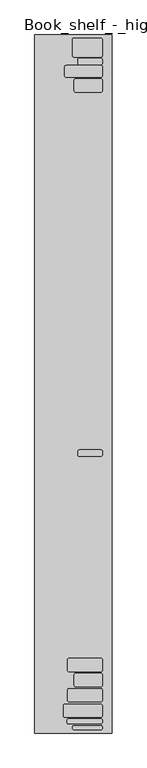
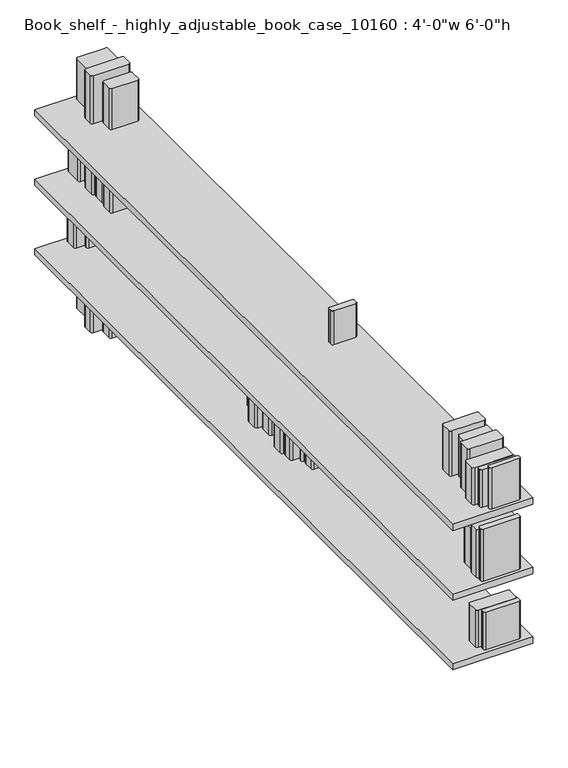
"""IFC4 building model written with IfcOpenShell, lengths in millimetres: furniture geometry."""

import ifcopenshell
import ifcopenshell.guid

model = None  # the IFC model being written
_history = None  # IfcOwnerHistory: only IFC2X3 demands one
_inside = {}  # id of a spatial element -> (the spatial element, [elements in it])
_under = {}  # id of a project, library or spatial element -> (it, [spatial elements below it])
_declared = {}  # id of a project -> (the project, [libraries it declares])
_typed = {}  # id of a type object -> (the type object, [elements of that type])
_made_of = {}  # id of a material, layer set ... -> (it, [elements and type objects made of it])


def new_model(schema):
    """Start an empty IFC model of exactly this schema.

    Asked for "IFC4X3", IfcOpenShell would pick the latest addendum, in which some entities
    have other attributes; the version numbers below select the first issue.
    IFC2X3 requires an IfcOwnerHistory on every rooted entity: one is made here for all.
    """
    global model, _history
    if schema == "IFC4X3":
        model = ifcopenshell.file(schema_version=(4, 3, 0, 0))
    else:
        model = ifcopenshell.file(schema=schema)
    _inside.clear()
    _under.clear()
    _declared.clear()
    _typed.clear()
    _made_of.clear()
    _history = None
    if model.schema == "IFC2X3":
        org = make("IfcOrganization", Name="unknown")
        user = make(
            "IfcPersonAndOrganization",
            ThePerson=make("IfcPerson", FamilyName="unknown"),
            TheOrganization=org,
        )
        app = make(
            "IfcApplication",
            ApplicationDeveloper=org,
            Version="unknown",
            ApplicationFullName="unknown",
            ApplicationIdentifier="unknown",
        )
        _history = make(
            "IfcOwnerHistory",
            OwningUser=user,
            OwningApplication=app,
            ChangeAction="ADDED",
            CreationDate=0,
        )
    return model


def make(cls, **values):
    """One entity of the class cls with the attributes given. An attribute that is None is left unset."""
    return model.create_entity(
        cls, **{name: value for name, value in values.items() if value is not None}
    )


def rooted(cls, **values):
    """An entity with a GlobalId (a new one), such as an element, a storey or a relation."""
    return make(cls, GlobalId=ifcopenshell.guid.new(), OwnerHistory=_history, **values)


def si_unit(unit_type, name, prefix=None):
    """IfcSIUnit, for example si_unit("LENGTHUNIT", "METRE", prefix="MILLI")."""
    return make("IfcSIUnit", UnitType=unit_type, Prefix=prefix, Name=name)


def assignment(units):
    """IfcUnitAssignment: the units of a project."""
    return None if units is None else make("IfcUnitAssignment", Units=units)


def point(xyz):
    """IfcCartesianPoint."""
    return None if xyz is None else make("IfcCartesianPoint", Coordinates=xyz)


def direction(xyz):
    """IfcDirection."""
    return None if xyz is None else make("IfcDirection", DirectionRatios=xyz)


def frame(location, z_axis=None, x_axis=None):
    """IfcAxis2Placement3D, a coordinate frame: its origin and axes. An axis left out is left unset."""
    return make(
        "IfcAxis2Placement3D",
        Location=point(location),
        Axis=direction(z_axis),
        RefDirection=direction(x_axis),
    )


def frame_2d(location, x_axis=None):
    """IfcAxis2Placement2D, a coordinate frame in the plane: its origin and x axis."""
    return make(
        "IfcAxis2Placement2D", Location=point(location), RefDirection=direction(x_axis)
    )


def origin():
    """The frame at (0, 0, 0) with its axes left unset."""
    return frame((0.0, 0.0, 0.0))


def place(relative_to, where):
    """IfcLocalPlacement: puts the frame where relative to a parent placement (None: the world)."""
    return make(
        "IfcLocalPlacement", PlacementRelTo=relative_to, RelativePlacement=where
    )


def context(
    kind, dimensions, precision=None, world=None, true_north=None, identifier=None
):
    """IfcGeometricRepresentationContext, for example the 3D "Model" context."""
    return make(
        "IfcGeometricRepresentationContext",
        ContextIdentifier=identifier,
        ContextType=kind,
        CoordinateSpaceDimension=dimensions,
        Precision=precision,
        WorldCoordinateSystem=world,
        TrueNorth=true_north,
    )


def project(units=None, contexts=None):
    """IfcProject with its units and contexts."""
    return rooted(
        "IfcProject",
        Name="project",
        RepresentationContexts=contexts,
        UnitsInContext=assignment(units),
    )


def spatial(cls, under=None, at=None, **own):
    """A site, building, storey or space (cls), placed at a placement, below another one or the project."""
    s = rooted(cls, ObjectPlacement=at, **own)
    if under is not None:
        _under.setdefault(under.id(), (under, []))[1].append(s)
    return s


def polyline(points):
    """IfcPolyline through the points."""
    return make("IfcPolyline", Points=[point(p) for p in points])


def circle_curve(where, radius):
    """IfcCircle in the frame where."""
    return make("IfcCircle", Position=where, Radius=radius)


def trimmed(basis, trim1, trim2, sense, master):
    """IfcTrimmedCurve: the piece of a basis curve between two trims."""
    return make(
        "IfcTrimmedCurve",
        BasisCurve=basis,
        Trim1=trim1,
        Trim2=trim2,
        SenseAgreement=sense,
        MasterRepresentation=master,
    )


def segment(curve, same_sense, transition):
    """IfcCompositeCurveSegment."""
    return make(
        "IfcCompositeCurveSegment",
        Transition=transition,
        SameSense=same_sense,
        ParentCurve=curve,
    )


def composite_curve(segments, self_intersect=None):
    """IfcCompositeCurve: segments joined end to end."""
    return make("IfcCompositeCurve", Segments=segments, SelfIntersect=self_intersect)


def outline(outer, holes=None, kind="AREA"):
    """IfcArbitraryClosedProfileDef: a profile drawn as a closed curve; with holes, ...WithVoids."""
    if holes is None:
        return make("IfcArbitraryClosedProfileDef", ProfileType=kind, OuterCurve=outer)
    return make(
        "IfcArbitraryProfileDefWithVoids",
        ProfileType=kind,
        OuterCurve=outer,
        InnerCurves=holes,
    )


def extrude(swept, where, along, depth):
    """IfcExtrudedAreaSolid: the profile swept, set in the frame where, extruded along a direction by depth."""
    return make(
        "IfcExtrudedAreaSolid",
        SweptArea=swept,
        Position=where,
        ExtrudedDirection=direction(along),
        Depth=depth,
    )


def shape(context_of_items, identifier, shape_type, items):
    """IfcShapeRepresentation: the items that make up one representation, for example the "Body"."""
    return make(
        "IfcShapeRepresentation",
        ContextOfItems=context_of_items,
        RepresentationIdentifier=identifier,
        RepresentationType=shape_type,
        Items=items,
    )


def source(mapping_origin, context_of_items, identifier, shape_type, items):
    """IfcRepresentationMap: a shape defined once, which mapped items show again and again."""
    return make(
        "IfcRepresentationMap",
        MappingOrigin=mapping_origin,
        MappedRepresentation=shape(context_of_items, identifier, shape_type, items),
    )


def transform(
    local_origin,
    x_axis=None,
    y_axis=None,
    z_axis=None,
    scale=None,
    scale2=None,
    scale3=None,
    uniform=True,
):
    """IfcCartesianTransformationOperator3D, or its non-uniform kind. x_axis, y_axis, z_axis: its Axis1, 2, 3."""
    if uniform:
        return make(
            "IfcCartesianTransformationOperator3D",
            Axis1=direction(x_axis),
            Axis2=direction(y_axis),
            LocalOrigin=point(local_origin),
            Scale=scale,
            Axis3=direction(z_axis),
        )
    return make(
        "IfcCartesianTransformationOperator3DnonUniform",
        Axis1=direction(x_axis),
        Axis2=direction(y_axis),
        LocalOrigin=point(local_origin),
        Scale=scale,
        Axis3=direction(z_axis),
        Scale2=scale2,
        Scale3=scale3,
    )


def mapped(mapping_source, mapping_target):
    """IfcMappedItem: shows the shape of a source again, moved by a transform."""
    return make(
        "IfcMappedItem", MappingSource=mapping_source, MappingTarget=mapping_target
    )


def made_of(thing, what):
    """Note that an element or type object is made of a material, layer set ...; save() writes the relation."""
    if what is not None:
        _made_of.setdefault(what.id(), (what, []))[1].append(thing)
    return thing


def element(
    cls,
    number,
    at=None,
    inside=None,
    cuts=None,
    type_object=None,
    material=None,
    context=None,
    identifier="Body",
    shape_type=None,
    held_by="IfcProductDefinitionShape",
    body=None,
    shapes=None,
    **own,
):
    """One element of the class cls, such as IfcWall. Its Tag is "e" and its number.

    at: its placement. inside: the storey or other place that contains it. cuts: it is an
    opening in that element (IfcRelVoidsElement). A single representation is given by context,
    identifier, shape_type and body (its items); several are given by shapes. held_by: the class
    of the entity that holds the representations. save() writes the other relations.
    """
    e = rooted(cls, Tag="e%d" % number, ObjectPlacement=at, **own)
    if body is not None:
        shapes = [shape(context, identifier, shape_type, body)]
    if shapes is not None:
        e.Representation = make(held_by, Representations=shapes)
    if inside is not None:
        _inside.setdefault(inside.id(), (inside, []))[1].append(e)
    if cuts is not None:
        rooted(
            "IfcRelVoidsElement", RelatingBuildingElement=cuts, RelatedOpeningElement=e
        )
    if type_object is not None:
        _typed.setdefault(type_object.id(), (type_object, []))[1].append(e)
    return made_of(e, material)


def aggregate(whole, parts):
    """IfcRelAggregates: a whole, such as a stair, and the parts it consists of."""
    return rooted("IfcRelAggregates", RelatingObject=whole, RelatedObjects=parts)


def save(model, path):
    """Write the relations noted so far, then the file.

    IfcRelAggregates (storeys below a building ...), IfcRelContainedInSpatialStructure (elements
    in a storey), IfcRelDefinesByType, IfcRelAssociatesMaterial and IfcRelDeclares: one each for
    every whole, place, type object, material and project.
    """
    for whole, parts in _under.values():
        aggregate(whole, parts)
    for where, things in _inside.values():
        rooted(
            "IfcRelContainedInSpatialStructure",
            RelatedElements=things,
            RelatingStructure=where,
        )
    for kind, things in _typed.values():
        rooted("IfcRelDefinesByType", RelatedObjects=things, RelatingType=kind)
    for what, things in _made_of.values():
        rooted("IfcRelAssociatesMaterial", RelatedObjects=things, RelatingMaterial=what)
    for by, libraries in _declared.values():
        rooted("IfcRelDeclares", RelatingContext=by, RelatedDefinitions=libraries)
    model.write(path)


def furniture_de138583(model_context):
    return source(origin(), model_context, "Body", "SweptSolid", [
        extrude(outline(composite_curve([segment(polyline([(-148.9022418, 2554.6275375), (-148.9022418, 2595.1318477)]), True, "CONTINUOUS"), segment(trimmed(circle_curve(frame_2d((-142.5522418, 2595.1318477)), 6.35), [point((-148.9022418, 2595.1318477))], [point((-142.5522418, 2601.4818477))], False, "CARTESIAN"), True, "CONTINUOUS"), segment(polyline([(-142.5522418, 2601.4818477), (-44.45, 2601.4818477)]), True, "CONTINUOUS"), segment(trimmed(circle_curve(frame_2d((-44.45, 2595.1318477)), 6.35), [point((-44.45, 2601.4818477))], [point((-38.1, 2595.1318477))], False, "CARTESIAN"), True, "CONTINUOUS"), segment(polyline([(-38.1, 2595.1318477), (-38.1, 2554.6275375)]), True, "CONTINUOUS"), segment(trimmed(circle_curve(frame_2d((-44.45, 2554.6275375)), 6.35), [point((-38.1, 2554.6275375))], [point((-44.45, 2548.2775375))], False, "CARTESIAN"), True, "CONTINUOUS"), segment(polyline([(-44.45, 2548.2775375), (-142.5522418, 2548.2775375)]), True, "CONTINUOUS"), segment(trimmed(circle_curve(frame_2d((-142.5522418, 2554.6275375)), 6.35), [point((-142.5522418, 2548.2775375))], [point((-148.9022418, 2554.6275375))], False, "CARTESIAN"), True, "CONTINUOUS")], self_intersect=False)), frame((0.0, 0.0, 1524.0), z_axis=(0.0, 0.0, 1.0), x_axis=(1.0, 0.0, 0.0)), (0.0, 0.0, 1.0), 163.8466778),
        extrude(outline(composite_curve([segment(polyline([(-186.6960646, 2613.7563445), (-186.6960646, 2647.8877722)]), True, "CONTINUOUS"), segment(trimmed(circle_curve(frame_2d((-180.3460646, 2647.8877722)), 6.35), [point((-186.6960646, 2647.8877722))], [point((-180.3460646, 2654.2377722))], False, "CARTESIAN"), True, "CONTINUOUS"), segment(polyline([(-180.3460646, 2654.2377722), (-44.45, 2654.2377722)]), True, "CONTINUOUS"), segment(trimmed(circle_curve(frame_2d((-44.45, 2647.8877722)), 6.35), [point((-44.45, 2654.2377722))], [point((-38.1, 2647.8877722))], False, "CARTESIAN"), True, "CONTINUOUS"), segment(polyline([(-38.1, 2647.8877722), (-38.1, 2613.7563445)]), True, "CONTINUOUS"), segment(trimmed(circle_curve(frame_2d((-44.45, 2613.7563445)), 6.35), [point((-38.1, 2613.7563445))], [point((-44.45, 2607.4063445))], False, "CARTESIAN"), True, "CONTINUOUS"), segment(polyline([(-44.45, 2607.4063445), (-180.3460646, 2607.4063445)]), True, "CONTINUOUS"), segment(trimmed(circle_curve(frame_2d((-180.3460646, 2613.7563445)), 6.35), [point((-180.3460646, 2607.4063445))], [point((-186.6960646, 2613.7563445))], False, "CARTESIAN"), True, "CONTINUOUS")], self_intersect=False)), frame((0.0, 0.0, 1524.0), z_axis=(0.0, 0.0, 1.0), x_axis=(1.0, 0.0, 0.0)), (0.0, 0.0, 1.0), 193.2682698),
        extrude(outline(composite_curve([segment(polyline([(-156.1010652, 2693.8512848), (-156.1010652, 2755.55)]), True, "CONTINUOUS"), segment(trimmed(circle_curve(frame_2d((-149.7510652, 2755.55)), 6.35), [point((-156.1010652, 2755.55))], [point((-149.7510652, 2761.9))], False, "CARTESIAN"), True, "CONTINUOUS"), segment(polyline([(-149.7510652, 2761.9), (-44.45, 2761.9)]), True, "CONTINUOUS"), segment(trimmed(circle_curve(frame_2d((-44.45, 2755.55)), 6.35), [point((-44.45, 2761.9))], [point((-38.1, 2755.55))], False, "CARTESIAN"), True, "CONTINUOUS"), segment(polyline([(-38.1, 2755.55), (-38.1, 2693.8512848)]), True, "CONTINUOUS"), segment(trimmed(circle_curve(frame_2d((-44.45, 2693.8512848)), 6.35), [point((-38.1, 2693.8512848))], [point((-44.45, 2687.5012848))], False, "CARTESIAN"), True, "CONTINUOUS"), segment(polyline([(-44.45, 2687.5012848), (-149.7510652, 2687.5012848)]), True, "CONTINUOUS"), segment(trimmed(circle_curve(frame_2d((-149.7510652, 2693.8512848)), 6.35), [point((-149.7510652, 2687.5012848))], [point((-156.1010652, 2693.8512848))], False, "CARTESIAN"), True, "CONTINUOUS")], self_intersect=False)), frame((0.0, 0.0, 1524.0), z_axis=(0.0, 0.0, 1.0), x_axis=(1.0, 0.0, 0.0)), (0.0, 0.0, 1.0), 163.8466778),
        extrude(outline(composite_curve([segment(polyline([(-134.504595, 2663.7627722), (-134.504595, 2676.4627722)]), True, "CONTINUOUS"), segment(trimmed(circle_curve(frame_2d((-128.154595, 2676.4627722)), 6.35), [point((-134.504595, 2676.4627722))], [point((-128.154595, 2682.8127722))], False, "CARTESIAN"), True, "CONTINUOUS"), segment(polyline([(-128.154595, 2682.8127722), (-44.45, 2682.8127722)]), True, "CONTINUOUS"), segment(trimmed(circle_curve(frame_2d((-44.45, 2676.4627722)), 6.35), [point((-44.45, 2682.8127722))], [point((-38.1, 2676.4627722))], False, "CARTESIAN"), True, "CONTINUOUS"), segment(polyline([(-38.1, 2676.4627722), (-38.1, 2663.7627722)]), True, "CONTINUOUS"), segment(trimmed(circle_curve(frame_2d((-44.45, 2663.7627722)), 6.35), [point((-38.1, 2663.7627722))], [point((-44.45, 2657.4127722))], False, "CARTESIAN"), True, "CONTINUOUS"), segment(polyline([(-44.45, 2657.4127722), (-128.154595, 2657.4127722)]), True, "CONTINUOUS"), segment(trimmed(circle_curve(frame_2d((-128.154595, 2663.7627722)), 6.35), [point((-128.154595, 2657.4127722))], [point((-134.504595, 2663.7627722))], False, "CARTESIAN"), True, "CONTINUOUS")], self_intersect=False)), frame((0.0, 0.0, 1524.0), z_axis=(0.0, 0.0, 1.0), x_axis=(1.0, 0.0, 0.0)), (0.0, 0.0, 1.0), 135.8183694),
        extrude(outline(composite_curve([segment(polyline([(-174.9979766, 273.5343096), (-174.9979766, 313.4842776)]), True, "CONTINUOUS"), segment(trimmed(circle_curve(frame_2d((-168.6479766, 313.4842776)), 6.35), [point((-174.9979766, 313.4842776))], [point((-168.6479766, 319.8342776))], False, "CARTESIAN"), True, "CONTINUOUS"), segment(polyline([(-168.6479766, 319.8342776), (-44.45, 319.8342776)]), True, "CONTINUOUS"), segment(trimmed(circle_curve(frame_2d((-44.45, 313.4842776)), 6.35), [point((-44.45, 319.8342776))], [point((-38.1, 313.4842776))], False, "CARTESIAN"), True, "CONTINUOUS"), segment(polyline([(-38.1, 313.4842776), (-38.1, 273.5343096)]), True, "CONTINUOUS"), segment(trimmed(circle_curve(frame_2d((-44.45, 273.5343096)), 6.35), [point((-38.1, 273.5343096))], [point((-44.45, 267.1843096))], False, "CARTESIAN"), True, "CONTINUOUS"), segment(polyline([(-44.45, 267.1843096), (-168.6479766, 267.1843096)]), True, "CONTINUOUS"), segment(trimmed(circle_curve(frame_2d((-168.6479766, 273.5343096)), 6.35), [point((-168.6479766, 267.1843096))], [point((-174.9979766, 273.5343096))], False, "CARTESIAN"), True, "CONTINUOUS")], self_intersect=False)), frame((0.0, 0.0, 1524.0), z_axis=(0.0, 0.0, 1.0), x_axis=(1.0, 0.0, 0.0)), (0.0, 0.0, 1.0), 181.3914823),
        extrude(outline(composite_curve([segment(polyline([(-134.504595, 1121.0843096), (-134.504595, 1133.7843096)]), True, "CONTINUOUS"), segment(trimmed(circle_curve(frame_2d((-128.154595, 1133.7843096)), 6.35), [point((-134.504595, 1133.7843096))], [point((-128.154595, 1140.1343096))], False, "CARTESIAN"), True, "CONTINUOUS"), segment(polyline([(-128.154595, 1140.1343096), (-44.45, 1140.1343096)]), True, "CONTINUOUS"), segment(trimmed(circle_curve(frame_2d((-44.45, 1133.7843096)), 6.35), [point((-44.45, 1140.1343096))], [point((-38.1, 1133.7843096))], False, "CARTESIAN"), True, "CONTINUOUS"), segment(polyline([(-38.1, 1133.7843096), (-38.1, 1121.0843096)]), True, "CONTINUOUS"), segment(trimmed(circle_curve(frame_2d((-44.45, 1121.0843096)), 6.35), [point((-38.1, 1121.0843096))], [point((-44.45, 1114.7343096))], False, "CARTESIAN"), True, "CONTINUOUS"), segment(polyline([(-44.45, 1114.7343096), (-128.154595, 1114.7343096)]), True, "CONTINUOUS"), segment(trimmed(circle_curve(frame_2d((-128.154595, 1121.0843096)), 6.35), [point((-128.154595, 1114.7343096))], [point((-134.504595, 1121.0843096))], False, "CARTESIAN"), True, "CONTINUOUS")], self_intersect=False)), frame((0.0, 0.0, 1524.0), z_axis=(0.0, 0.0, 1.0), x_axis=(1.0, 0.0, 0.0)), (0.0, 0.0, 1.0), 135.8183694),
        extrude(outline(composite_curve([segment(polyline([(-174.9979766, 154.4873472), (-174.9979766, 194.4373151)]), True, "CONTINUOUS"), segment(trimmed(circle_curve(frame_2d((-168.6479766, 194.4373151)), 6.35), [point((-174.9979766, 194.4373151))], [point((-168.6479766, 200.7873151))], False, "CARTESIAN"), True, "CONTINUOUS"), segment(polyline([(-168.6479766, 200.7873151), (-44.45, 200.7873151)]), True, "CONTINUOUS"), segment(trimmed(circle_curve(frame_2d((-44.45, 194.4373151)), 6.35), [point((-44.45, 200.7873151))], [point((-38.1, 194.4373151))], False, "CARTESIAN"), True, "CONTINUOUS"), segment(polyline([(-38.1, 194.4373151), (-38.1, 154.4873472)]), True, "CONTINUOUS"), segment(trimmed(circle_curve(frame_2d((-44.45, 154.4873472)), 6.35), [point((-38.1, 154.4873472))], [point((-44.45, 148.1373472))], False, "CARTESIAN"), True, "CONTINUOUS"), segment(polyline([(-44.45, 148.1373472), (-168.6479766, 148.1373472)]), True, "CONTINUOUS"), segment(trimmed(circle_curve(frame_2d((-168.6479766, 154.4873472)), 6.35), [point((-168.6479766, 148.1373472))], [point((-174.9979766, 154.4873472))], False, "CARTESIAN"), True, "CONTINUOUS")], self_intersect=False)), frame((0.0, 0.0, 1524.0), z_axis=(0.0, 0.0, 1.0), x_axis=(1.0, 0.0, 0.0)), (0.0, 0.0, 1.0), 181.3914823),
        extrude(outline(composite_curve([segment(polyline([(-148.9022418, 213.6855624), (-148.9022418, 254.1898725)]), True, "CONTINUOUS"), segment(trimmed(circle_curve(frame_2d((-142.5522418, 254.1898725)), 6.35), [point((-148.9022418, 254.1898725))], [point((-142.5522418, 260.5398725))], False, "CARTESIAN"), True, "CONTINUOUS"), segment(polyline([(-142.5522418, 260.5398725), (-44.45, 260.5398725)]), True, "CONTINUOUS"), segment(trimmed(circle_curve(frame_2d((-44.45, 254.1898725)), 6.35), [point((-44.45, 260.5398725))], [point((-38.1, 254.1898725))], False, "CARTESIAN"), True, "CONTINUOUS"), segment(polyline([(-38.1, 254.1898725), (-38.1, 213.6855624)]), True, "CONTINUOUS"), segment(trimmed(circle_curve(frame_2d((-44.45, 213.6855624)), 6.35), [point((-38.1, 213.6855624))], [point((-44.45, 207.3355624))], False, "CARTESIAN"), True, "CONTINUOUS"), segment(polyline([(-44.45, 207.3355624), (-142.5522418, 207.3355624)]), True, "CONTINUOUS"), segment(trimmed(circle_curve(frame_2d((-142.5522418, 213.6855624)), 6.35), [point((-142.5522418, 207.3355624))], [point((-148.9022418, 213.6855624))], False, "CARTESIAN"), True, "CONTINUOUS")], self_intersect=False)), frame((0.0, 0.0, 1524.0), z_axis=(0.0, 0.0, 1.0), x_axis=(1.0, 0.0, 0.0)), (0.0, 0.0, 1.0), 163.8466778),
        extrude(outline(composite_curve([segment(polyline([(-155.6511388, 44.45), (-155.6511388, 48.7119243)]), True, "CONTINUOUS"), segment(trimmed(circle_curve(frame_2d((-149.3011388, 48.7119243)), 6.35), [point((-155.6511388, 48.7119243))], [point((-149.3011388, 55.0619243))], False, "CARTESIAN"), True, "CONTINUOUS"), segment(polyline([(-149.3011388, 55.0619243), (-44.45, 55.0619243)]), True, "CONTINUOUS"), segment(trimmed(circle_curve(frame_2d((-44.45, 48.7119243)), 6.35), [point((-44.45, 55.0619243))], [point((-38.1, 48.7119243))], False, "CARTESIAN"), True, "CONTINUOUS"), segment(polyline([(-38.1, 48.7119243), (-38.1, 44.45)]), True, "CONTINUOUS"), segment(trimmed(circle_curve(frame_2d((-44.45, 44.45)), 6.35), [point((-38.1, 44.45))], [point((-44.45, 38.1))], False, "CARTESIAN"), True, "CONTINUOUS"), segment(polyline([(-44.45, 38.1), (-149.3011388, 38.1)]), True, "CONTINUOUS"), segment(trimmed(circle_curve(frame_2d((-149.3011388, 44.45)), 6.35), [point((-149.3011388, 38.1))], [point((-155.6511388, 44.45))], False, "CARTESIAN"), True, "CONTINUOUS")], self_intersect=False)), frame((0.0, 0.0, 1524.0), z_axis=(0.0, 0.0, 1.0), x_axis=(1.0, 0.0, 0.0)), (0.0, 0.0, 1.0), 166.2690481),
        extrude(outline(composite_curve([segment(polyline([(-191.8289872, 93.2744988), (-191.8289872, 133.2244668)]), True, "CONTINUOUS"), segment(trimmed(circle_curve(frame_2d((-185.4789872, 133.2244668)), 6.35), [point((-191.8289872, 133.2244668))], [point((-185.4789872, 139.5744668))], False, "CARTESIAN"), True, "CONTINUOUS"), segment(polyline([(-185.4789872, 139.5744668), (-44.45, 139.5744668)]), True, "CONTINUOUS"), segment(trimmed(circle_curve(frame_2d((-44.45, 133.2244668)), 6.35), [point((-44.45, 139.5744668))], [point((-38.1, 133.2244668))], False, "CARTESIAN"), True, "CONTINUOUS"), segment(polyline([(-38.1, 133.2244668), (-38.1, 93.2744988)]), True, "CONTINUOUS"), segment(trimmed(circle_curve(frame_2d((-44.45, 93.2744988)), 6.35), [point((-38.1, 93.2744988))], [point((-44.45, 86.9244988))], False, "CARTESIAN"), True, "CONTINUOUS"), segment(polyline([(-44.45, 86.9244988), (-185.4789872, 86.9244988)]), True, "CONTINUOUS"), segment(trimmed(circle_curve(frame_2d((-185.4789872, 93.2744988)), 6.35), [point((-185.4789872, 86.9244988))], [point((-191.8289872, 93.2744988))], False, "CARTESIAN"), True, "CONTINUOUS")], self_intersect=False)), frame((0.0, 0.0, 1524.0), z_axis=(0.0, 0.0, 1.0), x_axis=(1.0, 0.0, 0.0)), (0.0, 0.0, 1.0), 148.7566688),
        extrude(outline(composite_curve([segment(polyline([(-177.3825869, 67.874514), (-177.3825869, 75.2798723)]), True, "CONTINUOUS"), segment(trimmed(circle_curve(frame_2d((-171.0325869, 75.2798723)), 6.35), [point((-177.3825869, 75.2798723))], [point((-171.0325869, 81.6298723))], False, "CARTESIAN"), True, "CONTINUOUS"), segment(polyline([(-171.0325869, 81.6298723), (-44.45, 81.6298723)]), True, "CONTINUOUS"), segment(trimmed(circle_curve(frame_2d((-44.45, 75.2798723)), 6.35), [point((-44.45, 81.6298723))], [point((-38.1, 75.2798723))], False, "CARTESIAN"), True, "CONTINUOUS"), segment(polyline([(-38.1, 75.2798723), (-38.1, 67.874514)]), True, "CONTINUOUS"), segment(trimmed(circle_curve(frame_2d((-44.45, 67.874514)), 6.35), [point((-38.1, 67.874514))], [point((-44.45, 61.524514))], False, "CARTESIAN"), True, "CONTINUOUS"), segment(polyline([(-44.45, 61.524514), (-171.0325869, 61.524514)]), True, "CONTINUOUS"), segment(trimmed(circle_curve(frame_2d((-171.0325869, 67.874514)), 6.35), [point((-171.0325869, 61.524514))], [point((-177.3825869, 67.874514))], False, "CARTESIAN"), True, "CONTINUOUS")], self_intersect=False)), frame((0.0, 0.0, 1524.0), z_axis=(0.0, 0.0, 1.0), x_axis=(1.0, 0.0, 0.0)), (0.0, 0.0, 1.0), 151.8618711),
        extrude(outline(polyline([(0.0, 2774.6), (0.0, 25.4), (-304.8, 25.4), (-304.8, 2774.6), (0.0, 2774.6)])), frame((0.0, 0.0, 1498.6), z_axis=(0.0, 0.0, 1.0), x_axis=(1.0, 0.0, 0.0)), (0.0, 0.0, 1.0), 25.4),
        extrude(outline(composite_curve([segment(polyline([(-181.0020996, 119.7389676), (-181.0020996, 160.2432777)]), True, "CONTINUOUS"), segment(trimmed(circle_curve(frame_2d((-174.6520996, 160.2432777)), 6.35), [point((-181.0020996, 160.2432777))], [point((-174.6520996, 166.5932777))], False, "CARTESIAN"), True, "CONTINUOUS"), segment(polyline([(-174.6520996, 166.5932777), (-44.45, 166.5932777)]), True, "CONTINUOUS"), segment(trimmed(circle_curve(frame_2d((-44.45, 160.2432777)), 6.35), [point((-44.45, 166.5932777))], [point((-38.1, 160.2432777))], False, "CARTESIAN"), True, "CONTINUOUS"), segment(polyline([(-38.1, 160.2432777), (-38.1, 119.7389676)]), True, "CONTINUOUS"), segment(trimmed(circle_curve(frame_2d((-44.45, 119.7389676)), 6.35), [point((-38.1, 119.7389676))], [point((-44.45, 113.3889676))], False, "CARTESIAN"), True, "CONTINUOUS"), segment(polyline([(-44.45, 113.3889676), (-174.6520996, 113.3889676)]), True, "CONTINUOUS"), segment(trimmed(circle_curve(frame_2d((-174.6520996, 119.7389676)), 6.35), [point((-174.6520996, 113.3889676))], [point((-181.0020996, 119.7389676))], False, "CARTESIAN"), True, "CONTINUOUS")], self_intersect=False)), frame((0.0, 0.0, 1244.6), z_axis=(0.0, 0.0, 1.0), x_axis=(1.0, 0.0, 0.0)), (0.0, 0.0, 1.0), 163.8466778),
        extrude(outline(composite_curve([segment(polyline([(-187.30107, 2605.1650696), (-187.30107, 2645.1150375)]), True, "CONTINUOUS"), segment(trimmed(circle_curve(frame_2d((-180.95107, 2645.1150375)), 6.35), [point((-187.30107, 2645.1150375))], [point((-180.95107, 2651.4650375))], False, "CARTESIAN"), True, "CONTINUOUS"), segment(polyline([(-180.95107, 2651.4650375), (-44.45, 2651.4650375)]), True, "CONTINUOUS"), segment(trimmed(circle_curve(frame_2d((-44.45, 2645.1150375)), 6.35), [point((-44.45, 2651.4650375))], [point((-38.1, 2645.1150375))], False, "CARTESIAN"), True, "CONTINUOUS"), segment(polyline([(-38.1, 2645.1150375), (-38.1, 2605.1650696)]), True, "CONTINUOUS"), segment(trimmed(circle_curve(frame_2d((-44.45, 2605.1650696)), 6.35), [point((-38.1, 2605.1650696))], [point((-44.45, 2598.8150696))], False, "CARTESIAN"), True, "CONTINUOUS"), segment(polyline([(-44.45, 2598.8150696), (-180.95107, 2598.8150696)]), True, "CONTINUOUS"), segment(trimmed(circle_curve(frame_2d((-180.95107, 2605.1650696)), 6.35), [point((-180.95107, 2598.8150696))], [point((-187.30107, 2605.1650696))], False, "CARTESIAN"), True, "CONTINUOUS")], self_intersect=False)), frame((0.0, 0.0, 1244.6), z_axis=(0.0, 0.0, 1.0), x_axis=(1.0, 0.0, 0.0)), (0.0, 0.0, 1.0), 181.3914823),
        extrude(outline(composite_curve([segment(polyline([(-186.4012171, 44.45), (-186.4012171, 53.326397)]), True, "CONTINUOUS"), segment(trimmed(circle_curve(frame_2d((-180.0512171, 53.326397)), 6.35), [point((-186.4012171, 53.326397))], [point((-180.0512171, 59.676397))], False, "CARTESIAN"), True, "CONTINUOUS"), segment(polyline([(-180.0512171, 59.676397), (-44.45, 59.676397)]), True, "CONTINUOUS"), segment(trimmed(circle_curve(frame_2d((-44.45, 53.326397)), 6.35), [point((-44.45, 59.676397))], [point((-38.1, 53.326397))], False, "CARTESIAN"), True, "CONTINUOUS"), segment(polyline([(-38.1, 53.326397), (-38.1, 44.45)]), True, "CONTINUOUS"), segment(trimmed(circle_curve(frame_2d((-44.45, 44.45)), 6.35), [point((-38.1, 44.45))], [point((-44.45, 38.1))], False, "CARTESIAN"), True, "CONTINUOUS"), segment(polyline([(-44.45, 38.1), (-180.0512171, 38.1)]), True, "CONTINUOUS"), segment(trimmed(circle_curve(frame_2d((-180.0512171, 44.45)), 6.35), [point((-180.0512171, 38.1))], [point((-186.4012171, 44.45))], False, "CARTESIAN"), True, "CONTINUOUS")], self_intersect=False)), frame((0.0, 0.0, 1244.6), z_axis=(0.0, 0.0, 1.0), x_axis=(1.0, 0.0, 0.0)), (0.0, 0.0, 1.0), 209.55),
        extrude(outline(composite_curve([segment(polyline([(-189.1007759, 68.366525), (-189.1007759, 102.4979527)]), True, "CONTINUOUS"), segment(trimmed(circle_curve(frame_2d((-182.7507759, 102.4979527)), 6.35), [point((-189.1007759, 102.4979527))], [point((-182.7507759, 108.8479527))], False, "CARTESIAN"), True, "CONTINUOUS"), segment(polyline([(-182.7507759, 108.8479527), (-44.45, 108.8479527)]), True, "CONTINUOUS"), segment(trimmed(circle_curve(frame_2d((-44.45, 102.4979527)), 6.35), [point((-44.45, 108.8479527))], [point((-38.1, 102.4979527))], False, "CARTESIAN"), True, "CONTINUOUS"), segment(polyline([(-38.1, 102.4979527), (-38.1, 68.366525)]), True, "CONTINUOUS"), segment(trimmed(circle_curve(frame_2d((-44.45, 68.366525)), 6.35), [point((-38.1, 68.366525))], [point((-44.45, 62.016525))], False, "CARTESIAN"), True, "CONTINUOUS"), segment(polyline([(-44.45, 62.016525), (-182.7507759, 62.016525)]), True, "CONTINUOUS"), segment(trimmed(circle_curve(frame_2d((-182.7507759, 68.366525)), 6.35), [point((-182.7507759, 62.016525))], [point((-189.1007759, 68.366525))], False, "CARTESIAN"), True, "CONTINUOUS")], self_intersect=False)), frame((0.0, 0.0, 1244.6), z_axis=(0.0, 0.0, 1.0), x_axis=(1.0, 0.0, 0.0)), (0.0, 0.0, 1.0), 193.2682698),
        extrude(outline(composite_curve([segment(polyline([(-172.0035703, 2661.3075348), (-172.0035703, 2674.0075348)]), True, "CONTINUOUS"), segment(trimmed(circle_curve(frame_2d((-165.6535703, 2674.0075348)), 6.35), [point((-172.0035703, 2674.0075348))], [point((-165.6535703, 2680.3575348))], False, "CARTESIAN"), True, "CONTINUOUS"), segment(polyline([(-165.6535703, 2680.3575348), (-44.45, 2680.3575348)]), True, "CONTINUOUS"), segment(trimmed(circle_curve(frame_2d((-44.45, 2674.0075348)), 6.35), [point((-44.45, 2680.3575348))], [point((-38.1, 2674.0075348))], False, "CARTESIAN"), True, "CONTINUOUS"), segment(polyline([(-38.1, 2674.0075348), (-38.1, 2661.3075348)]), True, "CONTINUOUS"), segment(trimmed(circle_curve(frame_2d((-44.45, 2661.3075348)), 6.35), [point((-38.1, 2661.3075348))], [point((-44.45, 2654.9575348))], False, "CARTESIAN"), True, "CONTINUOUS"), segment(polyline([(-44.45, 2654.9575348), (-165.6535703, 2654.9575348)]), True, "CONTINUOUS"), segment(trimmed(circle_curve(frame_2d((-165.6535703, 2661.3075348)), 6.35), [point((-165.6535703, 2654.9575348))], [point((-172.0035703, 2661.3075348))], False, "CARTESIAN"), True, "CONTINUOUS")], self_intersect=False)), frame((0.0, 0.0, 1244.6), z_axis=(0.0, 0.0, 1.0), x_axis=(1.0, 0.0, 0.0)), (0.0, 0.0, 1.0), 135.8183694),
        extrude(outline(composite_curve([segment(polyline([(-188.4046355, 2693.8512848), (-188.4046355, 2755.55)]), True, "CONTINUOUS"), segment(trimmed(circle_curve(frame_2d((-182.0546355, 2755.55)), 6.35), [point((-188.4046355, 2755.55))], [point((-182.0546355, 2761.9))], False, "CARTESIAN"), True, "CONTINUOUS"), segment(polyline([(-182.0546355, 2761.9), (-44.45, 2761.9)]), True, "CONTINUOUS"), segment(trimmed(circle_curve(frame_2d((-44.45, 2755.55)), 6.35), [point((-44.45, 2761.9))], [point((-38.1, 2755.55))], False, "CARTESIAN"), True, "CONTINUOUS"), segment(polyline([(-38.1, 2755.55), (-38.1, 2693.8512848)]), True, "CONTINUOUS"), segment(trimmed(circle_curve(frame_2d((-44.45, 2693.8512848)), 6.35), [point((-38.1, 2693.8512848))], [point((-44.45, 2687.5012848))], False, "CARTESIAN"), True, "CONTINUOUS"), segment(polyline([(-44.45, 2687.5012848), (-182.0546355, 2687.5012848)]), True, "CONTINUOUS"), segment(trimmed(circle_curve(frame_2d((-182.0546355, 2693.8512848)), 6.35), [point((-182.0546355, 2687.5012848))], [point((-188.4046355, 2693.8512848))], False, "CARTESIAN"), True, "CONTINUOUS")], self_intersect=False)), frame((0.0, 0.0, 1244.6), z_axis=(0.0, 0.0, 1.0), x_axis=(1.0, 0.0, 0.0)), (0.0, 0.0, 1.0), 163.8466778),
        extrude(outline(composite_curve([segment(polyline([(-187.30107, 2484.5150696), (-187.30107, 2524.4650375)]), True, "CONTINUOUS"), segment(trimmed(circle_curve(frame_2d((-180.95107, 2524.4650375)), 6.35), [point((-187.30107, 2524.4650375))], [point((-180.95107, 2530.8150375))], False, "CARTESIAN"), True, "CONTINUOUS"), segment(polyline([(-180.95107, 2530.8150375), (-44.45, 2530.8150375)]), True, "CONTINUOUS"), segment(trimmed(circle_curve(frame_2d((-44.45, 2524.4650375)), 6.35), [point((-44.45, 2530.8150375))], [point((-38.1, 2524.4650375))], False, "CARTESIAN"), True, "CONTINUOUS"), segment(polyline([(-38.1, 2524.4650375), (-38.1, 2484.5150696)]), True, "CONTINUOUS"), segment(trimmed(circle_curve(frame_2d((-44.45, 2484.5150696)), 6.35), [point((-38.1, 2484.5150696))], [point((-44.45, 2478.1650696))], False, "CARTESIAN"), True, "CONTINUOUS"), segment(polyline([(-44.45, 2478.1650696), (-180.95107, 2478.1650696)]), True, "CONTINUOUS"), segment(trimmed(circle_curve(frame_2d((-180.95107, 2484.5150696)), 6.35), [point((-180.95107, 2478.1650696))], [point((-187.30107, 2484.5150696))], False, "CARTESIAN"), True, "CONTINUOUS")], self_intersect=False)), frame((0.0, 0.0, 1244.6), z_axis=(0.0, 0.0, 1.0), x_axis=(1.0, 0.0, 0.0)), (0.0, 0.0, 1.0), 181.3914823),
        extrude(outline(composite_curve([segment(polyline([(-181.0020996, 2545.4125122), (-181.0020996, 2585.9168223)]), True, "CONTINUOUS"), segment(trimmed(circle_curve(frame_2d((-174.6520996, 2585.9168223)), 6.35), [point((-181.0020996, 2585.9168223))], [point((-174.6520996, 2592.2668223))], False, "CARTESIAN"), True, "CONTINUOUS"), segment(polyline([(-174.6520996, 2592.2668223), (-44.45, 2592.2668223)]), True, "CONTINUOUS"), segment(trimmed(circle_curve(frame_2d((-44.45, 2585.9168223)), 6.35), [point((-44.45, 2592.2668223))], [point((-38.1, 2585.9168223))], False, "CARTESIAN"), True, "CONTINUOUS"), segment(polyline([(-38.1, 2585.9168223), (-38.1, 2545.4125122)]), True, "CONTINUOUS"), segment(trimmed(circle_curve(frame_2d((-44.45, 2545.4125122)), 6.35), [point((-38.1, 2545.4125122))], [point((-44.45, 2539.0625122))], False, "CARTESIAN"), True, "CONTINUOUS"), segment(polyline([(-44.45, 2539.0625122), (-174.6520996, 2539.0625122)]), True, "CONTINUOUS"), segment(trimmed(circle_curve(frame_2d((-174.6520996, 2545.4125122)), 6.35), [point((-174.6520996, 2539.0625122))], [point((-181.0020996, 2545.4125122))], False, "CARTESIAN"), True, "CONTINUOUS")], self_intersect=False)), frame((0.0, 0.0, 1244.6), z_axis=(0.0, 0.0, 1.0), x_axis=(1.0, 0.0, 0.0)), (0.0, 0.0, 1.0), 163.8466778),
        extrude(outline(polyline([(0.0, 2774.6), (0.0, 25.4), (-304.8, 25.4), (-304.8, 2774.6), (0.0, 2774.6)])), frame((0.0, 0.0, 1219.2), z_axis=(0.0, 0.0, 1.0), x_axis=(1.0, 0.0, 0.0)), (0.0, 0.0, 1.0), 25.4),
        extrude(outline(composite_curve([segment(polyline([(-149.8020947, 1607.3412422), (-149.8020947, 1642.9947053)]), True, "CONTINUOUS"), segment(trimmed(circle_curve(frame_2d((-143.4520947, 1642.9947053)), 6.35), [point((-149.8020947, 1642.9947053))], [point((-143.4520947, 1649.3447053))], False, "CARTESIAN"), True, "CONTINUOUS"), segment(polyline([(-143.4520947, 1649.3447053), (-44.45, 1649.3447053)]), True, "CONTINUOUS"), segment(trimmed(circle_curve(frame_2d((-44.45, 1642.9947053)), 6.35), [point((-44.45, 1649.3447053))], [point((-38.1, 1642.9947053))], False, "CARTESIAN"), True, "CONTINUOUS"), segment(polyline([(-38.1, 1642.9947053), (-38.1, 1607.3412422)]), True, "CONTINUOUS"), segment(trimmed(circle_curve(frame_2d((-44.45, 1607.3412422)), 6.35), [point((-38.1, 1607.3412422))], [point((-44.45, 1600.9912422))], False, "CARTESIAN"), True, "CONTINUOUS"), segment(polyline([(-44.45, 1600.9912422), (-143.4520947, 1600.9912422)]), True, "CONTINUOUS"), segment(trimmed(circle_curve(frame_2d((-143.4520947, 1607.3412422)), 6.35), [point((-143.4520947, 1600.9912422))], [point((-149.8020947, 1607.3412422))], False, "CARTESIAN"), True, "CONTINUOUS")], self_intersect=False)), frame((0.0, 0.0, 965.2), z_axis=(0.0, 0.0, 1.0), x_axis=(1.0, 0.0, 0.0)), (0.0, 0.0, 1.0), 151.8506516),
        extrude(outline(composite_curve([segment(polyline([(-155.6511388, 1583.4604527), (-155.6511388, 1587.7223771)]), True, "CONTINUOUS"), segment(trimmed(circle_curve(frame_2d((-149.3011388, 1587.7223771)), 6.35), [point((-155.6511388, 1587.7223771))], [point((-149.3011388, 1594.0723771))], False, "CARTESIAN"), True, "CONTINUOUS"), segment(polyline([(-149.3011388, 1594.0723771), (-44.45, 1594.0723771)]), True, "CONTINUOUS"), segment(trimmed(circle_curve(frame_2d((-44.45, 1587.7223771)), 6.35), [point((-44.45, 1594.0723771))], [point((-38.1, 1587.7223771))], False, "CARTESIAN"), True, "CONTINUOUS"), segment(polyline([(-38.1, 1587.7223771), (-38.1, 1583.4604527)]), True, "CONTINUOUS"), segment(trimmed(circle_curve(frame_2d((-44.45, 1583.4604527)), 6.35), [point((-38.1, 1583.4604527))], [point((-44.45, 1577.1104527))], False, "CARTESIAN"), True, "CONTINUOUS"), segment(polyline([(-44.45, 1577.1104527), (-149.3011388, 1577.1104527)]), True, "CONTINUOUS"), segment(trimmed(circle_curve(frame_2d((-149.3011388, 1583.4604527)), 6.35), [point((-149.3011388, 1577.1104527))], [point((-155.6511388, 1583.4604527))], False, "CARTESIAN"), True, "CONTINUOUS")], self_intersect=False)), frame((0.0, 0.0, 965.2), z_axis=(0.0, 0.0, 1.0), x_axis=(1.0, 0.0, 0.0)), (0.0, 0.0, 1.0), 166.2690481),
        extrude(outline(composite_curve([segment(polyline([(-191.8289872, 1523.562532), (-191.8289872, 1563.5125)]), True, "CONTINUOUS"), segment(trimmed(circle_curve(frame_2d((-185.4789872, 1563.5125)), 6.35), [point((-191.8289872, 1563.5125))], [point((-185.4789872, 1569.8625))], False, "CARTESIAN"), True, "CONTINUOUS"), segment(polyline([(-185.4789872, 1569.8625), (-44.45, 1569.8625)]), True, "CONTINUOUS"), segment(trimmed(circle_curve(frame_2d((-44.45, 1563.5125)), 6.35), [point((-44.45, 1569.8625))], [point((-38.1, 1563.5125))], False, "CARTESIAN"), True, "CONTINUOUS"), segment(polyline([(-38.1, 1563.5125), (-38.1, 1523.562532)]), True, "CONTINUOUS"), segment(trimmed(circle_curve(frame_2d((-44.45, 1523.562532)), 6.35), [point((-38.1, 1523.562532))], [point((-44.45, 1517.212532))], False, "CARTESIAN"), True, "CONTINUOUS"), segment(polyline([(-44.45, 1517.212532), (-185.4789872, 1517.212532)]), True, "CONTINUOUS"), segment(trimmed(circle_curve(frame_2d((-185.4789872, 1523.562532)), 6.35), [point((-185.4789872, 1517.212532))], [point((-191.8289872, 1523.562532))], False, "CARTESIAN"), True, "CONTINUOUS")], self_intersect=False)), frame((0.0, 0.0, 964.9310239), z_axis=(0.0, 0.0, 1.0), x_axis=(1.0, 0.0, 0.0)), (0.0, 0.0, 1.0), 177.2506516),
        extrude(outline(composite_curve([segment(polyline([(-149.8020947, 1225.375), (-149.8020947, 1261.0284631)]), True, "CONTINUOUS"), segment(trimmed(circle_curve(frame_2d((-143.4520947, 1261.0284631)), 6.35), [point((-149.8020947, 1261.0284631))], [point((-143.4520947, 1267.3784631))], False, "CARTESIAN"), True, "CONTINUOUS"), segment(polyline([(-143.4520947, 1267.3784631), (-44.45, 1267.3784631)]), True, "CONTINUOUS"), segment(trimmed(circle_curve(frame_2d((-44.45, 1261.0284631)), 6.35), [point((-44.45, 1267.3784631))], [point((-38.1, 1261.0284631))], False, "CARTESIAN"), True, "CONTINUOUS"), segment(polyline([(-38.1, 1261.0284631), (-38.1, 1225.375)]), True, "CONTINUOUS"), segment(trimmed(circle_curve(frame_2d((-44.45, 1225.375)), 6.35), [point((-38.1, 1225.375))], [point((-44.45, 1219.025))], False, "CARTESIAN"), True, "CONTINUOUS"), segment(polyline([(-44.45, 1219.025), (-143.4520947, 1219.025)]), True, "CONTINUOUS"), segment(trimmed(circle_curve(frame_2d((-143.4520947, 1225.375)), 6.35), [point((-143.4520947, 1219.025))], [point((-149.8020947, 1225.375))], False, "CARTESIAN"), True, "CONTINUOUS")], self_intersect=False)), frame((0.0, 0.0, 964.9310239), z_axis=(0.0, 0.0, 1.0), x_axis=(1.0, 0.0, 0.0)), (0.0, 0.0, 1.0), 151.8506516),
        extrude(outline(composite_curve([segment(polyline([(-155.6511388, 1281.8354527), (-155.6511388, 1286.0973771)]), True, "CONTINUOUS"), segment(trimmed(circle_curve(frame_2d((-149.3011388, 1286.0973771)), 6.35), [point((-155.6511388, 1286.0973771))], [point((-149.3011388, 1292.4473771))], False, "CARTESIAN"), True, "CONTINUOUS"), segment(polyline([(-149.3011388, 1292.4473771), (-44.45, 1292.4473771)]), True, "CONTINUOUS"), segment(trimmed(circle_curve(frame_2d((-44.45, 1286.0973771)), 6.35), [point((-44.45, 1292.4473771))], [point((-38.1, 1286.0973771))], False, "CARTESIAN"), True, "CONTINUOUS"), segment(polyline([(-38.1, 1286.0973771), (-38.1, 1281.8354527)]), True, "CONTINUOUS"), segment(trimmed(circle_curve(frame_2d((-44.45, 1281.8354527)), 6.35), [point((-38.1, 1281.8354527))], [point((-44.45, 1275.4854527))], False, "CARTESIAN"), True, "CONTINUOUS"), segment(polyline([(-44.45, 1275.4854527), (-149.3011388, 1275.4854527)]), True, "CONTINUOUS"), segment(trimmed(circle_curve(frame_2d((-149.3011388, 1281.8354527)), 6.35), [point((-149.3011388, 1275.4854527))], [point((-155.6511388, 1281.8354527))], False, "CARTESIAN"), True, "CONTINUOUS")], self_intersect=False)), frame((0.0, 0.0, 965.2), z_axis=(0.0, 0.0, 1.0), x_axis=(1.0, 0.0, 0.0)), (0.0, 0.0, 1.0), 166.2690481),
        extrude(outline(composite_curve([segment(polyline([(-191.8289872, 2715.600032), (-191.8289872, 2755.55)]), True, "CONTINUOUS"), segment(trimmed(circle_curve(frame_2d((-185.4789872, 2755.55)), 6.35), [point((-191.8289872, 2755.55))], [point((-185.4789872, 2761.9))], False, "CARTESIAN"), True, "CONTINUOUS"), segment(polyline([(-185.4789872, 2761.9), (-44.45, 2761.9)]), True, "CONTINUOUS"), segment(trimmed(circle_curve(frame_2d((-44.45, 2755.55)), 6.35), [point((-44.45, 2761.9))], [point((-38.1, 2755.55))], False, "CARTESIAN"), True, "CONTINUOUS"), segment(polyline([(-38.1, 2755.55), (-38.1, 2715.600032)]), True, "CONTINUOUS"), segment(trimmed(circle_curve(frame_2d((-44.45, 2715.600032)), 6.35), [point((-38.1, 2715.600032))], [point((-44.45, 2709.250032))], False, "CARTESIAN"), True, "CONTINUOUS"), segment(polyline([(-44.45, 2709.250032), (-185.4789872, 2709.250032)]), True, "CONTINUOUS"), segment(trimmed(circle_curve(frame_2d((-185.4789872, 2715.600032)), 6.35), [point((-185.4789872, 2709.250032))], [point((-191.8289872, 2715.600032))], False, "CARTESIAN"), True, "CONTINUOUS")], self_intersect=False)), frame((0.0, 0.0, 965.2), z_axis=(0.0, 0.0, 1.0), x_axis=(1.0, 0.0, 0.0)), (0.0, 0.0, 1.0), 148.7566688),
        extrude(outline(composite_curve([segment(polyline([(-155.6511388, 2694.962532), (-155.6511388, 2699.2244564)]), True, "CONTINUOUS"), segment(trimmed(circle_curve(frame_2d((-149.3011388, 2699.2244564)), 6.35), [point((-155.6511388, 2699.2244564))], [point((-149.3011388, 2705.5744564))], False, "CARTESIAN"), True, "CONTINUOUS"), segment(polyline([(-149.3011388, 2705.5744564), (-44.45, 2705.5744564)]), True, "CONTINUOUS"), segment(trimmed(circle_curve(frame_2d((-44.45, 2699.2244564)), 6.35), [point((-44.45, 2705.5744564))], [point((-38.1, 2699.2244564))], False, "CARTESIAN"), True, "CONTINUOUS"), segment(polyline([(-38.1, 2699.2244564), (-38.1, 2694.962532)]), True, "CONTINUOUS"), segment(trimmed(circle_curve(frame_2d((-44.45, 2694.962532)), 6.35), [point((-38.1, 2694.962532))], [point((-44.45, 2688.612532))], False, "CARTESIAN"), True, "CONTINUOUS"), segment(polyline([(-44.45, 2688.612532), (-149.3011388, 2688.612532)]), True, "CONTINUOUS"), segment(trimmed(circle_curve(frame_2d((-149.3011388, 2694.962532)), 6.35), [point((-149.3011388, 2688.612532))], [point((-155.6511388, 2694.962532))], False, "CARTESIAN"), True, "CONTINUOUS")], self_intersect=False)), frame((0.0, 0.0, 965.2), z_axis=(0.0, 0.0, 1.0), x_axis=(1.0, 0.0, 0.0)), (0.0, 0.0, 1.0), 166.2690481),
        extrude(outline(composite_curve([segment(polyline([(-191.8289872, 69.8499848), (-191.8289872, 109.7999528)]), True, "CONTINUOUS"), segment(trimmed(circle_curve(frame_2d((-185.4789872, 109.7999528)), 6.35), [point((-191.8289872, 109.7999528))], [point((-185.4789872, 116.1499528))], False, "CARTESIAN"), True, "CONTINUOUS"), segment(polyline([(-185.4789872, 116.1499528), (-44.45, 116.1499528)]), True, "CONTINUOUS"), segment(trimmed(circle_curve(frame_2d((-44.45, 109.7999528)), 6.35), [point((-44.45, 116.1499528))], [point((-38.1, 109.7999528))], False, "CARTESIAN"), True, "CONTINUOUS"), segment(polyline([(-38.1, 109.7999528), (-38.1, 69.8499848)]), True, "CONTINUOUS"), segment(trimmed(circle_curve(frame_2d((-44.45, 69.8499848)), 6.35), [point((-38.1, 69.8499848))], [point((-44.45, 63.4999848))], False, "CARTESIAN"), True, "CONTINUOUS"), segment(polyline([(-44.45, 63.4999848), (-185.4789872, 63.4999848)]), True, "CONTINUOUS"), segment(trimmed(circle_curve(frame_2d((-185.4789872, 69.8499848)), 6.35), [point((-185.4789872, 63.4999848))], [point((-191.8289872, 69.8499848))], False, "CARTESIAN"), True, "CONTINUOUS")], self_intersect=False)), frame((0.0, 0.0, 965.2), z_axis=(0.0, 0.0, 1.0), x_axis=(1.0, 0.0, 0.0)), (0.0, 0.0, 1.0), 148.7566688),
        extrude(outline(composite_curve([segment(polyline([(-177.3825869, 44.45), (-177.3825869, 51.8553582)]), True, "CONTINUOUS"), segment(trimmed(circle_curve(frame_2d((-171.0325869, 51.8553582)), 6.35), [point((-177.3825869, 51.8553582))], [point((-171.0325869, 58.2053582))], False, "CARTESIAN"), True, "CONTINUOUS"), segment(polyline([(-171.0325869, 58.2053582), (-44.45, 58.2053582)]), True, "CONTINUOUS"), segment(trimmed(circle_curve(frame_2d((-44.45, 51.8553582)), 6.35), [point((-44.45, 58.2053582))], [point((-38.1, 51.8553582))], False, "CARTESIAN"), True, "CONTINUOUS"), segment(polyline([(-38.1, 51.8553582), (-38.1, 44.45)]), True, "CONTINUOUS"), segment(trimmed(circle_curve(frame_2d((-44.45, 44.45)), 6.35), [point((-38.1, 44.45))], [point((-44.45, 38.1))], False, "CARTESIAN"), True, "CONTINUOUS"), segment(polyline([(-44.45, 38.1), (-171.0325869, 38.1)]), True, "CONTINUOUS"), segment(trimmed(circle_curve(frame_2d((-171.0325869, 44.45)), 6.35), [point((-171.0325869, 38.1))], [point((-177.3825869, 44.45))], False, "CARTESIAN"), True, "CONTINUOUS")], self_intersect=False)), frame((0.0, 0.0, 965.2), z_axis=(0.0, 0.0, 1.0), x_axis=(1.0, 0.0, 0.0)), (0.0, 0.0, 1.0), 151.8618711),
        extrude(outline(composite_curve([segment(polyline([(-183.9965059, 1304.75), (-183.9965059, 1336.5)]), True, "CONTINUOUS"), segment(trimmed(circle_curve(frame_2d((-177.6465059, 1336.5)), 6.35), [point((-183.9965059, 1336.5))], [point((-177.6465059, 1342.85))], False, "CARTESIAN"), True, "CONTINUOUS"), segment(polyline([(-177.6465059, 1342.85), (-44.45, 1342.85)]), True, "CONTINUOUS"), segment(trimmed(circle_curve(frame_2d((-44.45, 1336.5)), 6.35), [point((-44.45, 1342.85))], [point((-38.1, 1336.5))], False, "CARTESIAN"), True, "CONTINUOUS"), segment(polyline([(-38.1, 1336.5), (-38.1, 1304.75)]), True, "CONTINUOUS"), segment(trimmed(circle_curve(frame_2d((-44.45, 1304.75)), 6.35), [point((-38.1, 1304.75))], [point((-44.45, 1298.4))], False, "CARTESIAN"), True, "CONTINUOUS"), segment(polyline([(-44.45, 1298.4), (-177.6465059, 1298.4)]), True, "CONTINUOUS"), segment(trimmed(circle_curve(frame_2d((-177.6465059, 1304.75)), 6.35), [point((-177.6465059, 1298.4))], [point((-183.9965059, 1304.75))], False, "CARTESIAN"), True, "CONTINUOUS")], self_intersect=False)), frame((0.0, 0.0, 964.9310239), z_axis=(0.0, 0.0, 1.0), x_axis=(1.0, 0.0, 0.0)), (0.0, 0.0, 1.0), 170.2851068),
        extrude(outline(composite_curve([segment(polyline([(-149.8020947, 1409.525), (-149.8020947, 1445.1784631)]), True, "CONTINUOUS"), segment(trimmed(circle_curve(frame_2d((-143.4520947, 1445.1784631)), 6.35), [point((-149.8020947, 1445.1784631))], [point((-143.4520947, 1451.5284631))], False, "CARTESIAN"), True, "CONTINUOUS"), segment(polyline([(-143.4520947, 1451.5284631), (-44.45, 1451.5284631)]), True, "CONTINUOUS"), segment(trimmed(circle_curve(frame_2d((-44.45, 1445.1784631)), 6.35), [point((-44.45, 1451.5284631))], [point((-38.1, 1445.1784631))], False, "CARTESIAN"), True, "CONTINUOUS"), segment(polyline([(-38.1, 1445.1784631), (-38.1, 1409.525)]), True, "CONTINUOUS"), segment(trimmed(circle_curve(frame_2d((-44.45, 1409.525)), 6.35), [point((-38.1, 1409.525))], [point((-44.45, 1403.175))], False, "CARTESIAN"), True, "CONTINUOUS"), segment(polyline([(-44.45, 1403.175), (-143.4520947, 1403.175)]), True, "CONTINUOUS"), segment(trimmed(circle_curve(frame_2d((-143.4520947, 1409.525)), 6.35), [point((-143.4520947, 1403.175))], [point((-149.8020947, 1409.525))], False, "CARTESIAN"), True, "CONTINUOUS")], self_intersect=False)), frame((0.0, 0.0, 964.9310239), z_axis=(0.0, 0.0, 1.0), x_axis=(1.0, 0.0, 0.0)), (0.0, 0.0, 1.0), 151.8506516),
        extrude(outline(composite_curve([segment(polyline([(-172.6452674, 1463.237532), (-172.6452674, 1503.1875)]), True, "CONTINUOUS"), segment(trimmed(circle_curve(frame_2d((-166.2952674, 1503.1875)), 6.35), [point((-172.6452674, 1503.1875))], [point((-166.2952674, 1509.5375))], False, "CARTESIAN"), True, "CONTINUOUS"), segment(polyline([(-166.2952674, 1509.5375), (-44.45, 1509.5375)]), True, "CONTINUOUS"), segment(trimmed(circle_curve(frame_2d((-44.45, 1503.1875)), 6.35), [point((-44.45, 1509.5375))], [point((-38.1, 1503.1875))], False, "CARTESIAN"), True, "CONTINUOUS"), segment(polyline([(-38.1, 1503.1875), (-38.1, 1463.237532)]), True, "CONTINUOUS"), segment(trimmed(circle_curve(frame_2d((-44.45, 1463.237532)), 6.35), [point((-38.1, 1463.237532))], [point((-44.45, 1456.887532))], False, "CARTESIAN"), True, "CONTINUOUS"), segment(polyline([(-44.45, 1456.887532), (-166.2952674, 1456.887532)]), True, "CONTINUOUS"), segment(trimmed(circle_curve(frame_2d((-166.2952674, 1463.237532)), 6.35), [point((-166.2952674, 1456.887532))], [point((-172.6452674, 1463.237532))], False, "CARTESIAN"), True, "CONTINUOUS")], self_intersect=False)), frame((0.0, 0.0, 964.9310239), z_axis=(0.0, 0.0, 1.0), x_axis=(1.0, 0.0, 0.0)), (0.0, 0.0, 1.0), 157.0434797),
        extrude(outline(composite_curve([segment(polyline([(-191.8289872, 1353.700032), (-191.8289872, 1393.65)]), True, "CONTINUOUS"), segment(trimmed(circle_curve(frame_2d((-185.4789872, 1393.65)), 6.35), [point((-191.8289872, 1393.65))], [point((-185.4789872, 1400.0))], False, "CARTESIAN"), True, "CONTINUOUS"), segment(polyline([(-185.4789872, 1400.0), (-44.45, 1400.0)]), True, "CONTINUOUS"), segment(trimmed(circle_curve(frame_2d((-44.45, 1393.65)), 6.35), [point((-44.45, 1400.0))], [point((-38.1, 1393.65))], False, "CARTESIAN"), True, "CONTINUOUS"), segment(polyline([(-38.1, 1393.65), (-38.1, 1353.700032)]), True, "CONTINUOUS"), segment(trimmed(circle_curve(frame_2d((-44.45, 1353.700032)), 6.35), [point((-38.1, 1353.700032))], [point((-44.45, 1347.350032))], False, "CARTESIAN"), True, "CONTINUOUS"), segment(polyline([(-44.45, 1347.350032), (-185.4789872, 1347.350032)]), True, "CONTINUOUS"), segment(trimmed(circle_curve(frame_2d((-185.4789872, 1353.700032)), 6.35), [point((-185.4789872, 1347.350032))], [point((-191.8289872, 1353.700032))], False, "CARTESIAN"), True, "CONTINUOUS")], self_intersect=False)), frame((0.0, 0.0, 964.9310239), z_axis=(0.0, 0.0, 1.0), x_axis=(1.0, 0.0, 0.0)), (0.0, 0.0, 1.0), 177.2506516),
        extrude(outline(polyline([(0.0, 2774.6), (0.0, 25.4), (-304.8, 25.4), (-304.8, 2774.6), (0.0, 2774.6)])), frame((0.0, 0.0, 939.8), z_axis=(0.0, 0.0, 1.0), x_axis=(1.0, 0.0, 0.0)), (0.0, 0.0, 1.0), 25.4),
        extrude(outline(composite_curve([segment(polyline([(-148.9022418, 2554.6275375), (-148.9022418, 2595.1318477)]), True, "CONTINUOUS"), segment(trimmed(circle_curve(frame_2d((-142.5522418, 2595.1318477)), 6.35), [point((-148.9022418, 2595.1318477))], [point((-142.5522418, 2601.4818477))], False, "CARTESIAN"), True, "CONTINUOUS"), segment(polyline([(-142.5522418, 2601.4818477), (-44.45, 2601.4818477)]), True, "CONTINUOUS"), segment(trimmed(circle_curve(frame_2d((-44.45, 2595.1318477)), 6.35), [point((-44.45, 2601.4818477))], [point((-38.1, 2595.1318477))], False, "CARTESIAN"), True, "CONTINUOUS"), segment(polyline([(-38.1, 2595.1318477), (-38.1, 2554.6275375)]), True, "CONTINUOUS"), segment(trimmed(circle_curve(frame_2d((-44.45, 2554.6275375)), 6.35), [point((-38.1, 2554.6275375))], [point((-44.45, 2548.2775375))], False, "CARTESIAN"), True, "CONTINUOUS"), segment(polyline([(-44.45, 2548.2775375), (-142.5522418, 2548.2775375)]), True, "CONTINUOUS"), segment(trimmed(circle_curve(frame_2d((-142.5522418, 2554.6275375)), 6.35), [point((-142.5522418, 2548.2775375))], [point((-148.9022418, 2554.6275375))], False, "CARTESIAN"), True, "CONTINUOUS")], self_intersect=False)), frame((0.0, 0.0, 685.8), z_axis=(0.0, 0.0, 1.0), x_axis=(1.0, 0.0, 0.0)), (0.0, 0.0, 1.0), 163.8466778),
        extrude(outline(composite_curve([segment(polyline([(-186.6960646, 2613.7563445), (-186.6960646, 2647.8877722)]), True, "CONTINUOUS"), segment(trimmed(circle_curve(frame_2d((-180.3460646, 2647.8877722)), 6.35), [point((-186.6960646, 2647.8877722))], [point((-180.3460646, 2654.2377722))], False, "CARTESIAN"), True, "CONTINUOUS"), segment(polyline([(-180.3460646, 2654.2377722), (-44.45, 2654.2377722)]), True, "CONTINUOUS"), segment(trimmed(circle_curve(frame_2d((-44.45, 2647.8877722)), 6.35), [point((-44.45, 2654.2377722))], [point((-38.1, 2647.8877722))], False, "CARTESIAN"), True, "CONTINUOUS"), segment(polyline([(-38.1, 2647.8877722), (-38.1, 2613.7563445)]), True, "CONTINUOUS"), segment(trimmed(circle_curve(frame_2d((-44.45, 2613.7563445)), 6.35), [point((-38.1, 2613.7563445))], [point((-44.45, 2607.4063445))], False, "CARTESIAN"), True, "CONTINUOUS"), segment(polyline([(-44.45, 2607.4063445), (-180.3460646, 2607.4063445)]), True, "CONTINUOUS"), segment(trimmed(circle_curve(frame_2d((-180.3460646, 2613.7563445)), 6.35), [point((-180.3460646, 2607.4063445))], [point((-186.6960646, 2613.7563445))], False, "CARTESIAN"), True, "CONTINUOUS")], self_intersect=False)), frame((0.0, 0.0, 685.8), z_axis=(0.0, 0.0, 1.0), x_axis=(1.0, 0.0, 0.0)), (0.0, 0.0, 1.0), 193.2682698),
        extrude(outline(composite_curve([segment(polyline([(-156.1010652, 2693.8512848), (-156.1010652, 2755.55)]), True, "CONTINUOUS"), segment(trimmed(circle_curve(frame_2d((-149.7510652, 2755.55)), 6.35), [point((-156.1010652, 2755.55))], [point((-149.7510652, 2761.9))], False, "CARTESIAN"), True, "CONTINUOUS"), segment(polyline([(-149.7510652, 2761.9), (-44.45, 2761.9)]), True, "CONTINUOUS"), segment(trimmed(circle_curve(frame_2d((-44.45, 2755.55)), 6.35), [point((-44.45, 2761.9))], [point((-38.1, 2755.55))], False, "CARTESIAN"), True, "CONTINUOUS"), segment(polyline([(-38.1, 2755.55), (-38.1, 2693.8512848)]), True, "CONTINUOUS"), segment(trimmed(circle_curve(frame_2d((-44.45, 2693.8512848)), 6.35), [point((-38.1, 2693.8512848))], [point((-44.45, 2687.5012848))], False, "CARTESIAN"), True, "CONTINUOUS"), segment(polyline([(-44.45, 2687.5012848), (-149.7510652, 2687.5012848)]), True, "CONTINUOUS"), segment(trimmed(circle_curve(frame_2d((-149.7510652, 2693.8512848)), 6.35), [point((-149.7510652, 2687.5012848))], [point((-156.1010652, 2693.8512848))], False, "CARTESIAN"), True, "CONTINUOUS")], self_intersect=False)), frame((0.0, 0.0, 685.8), z_axis=(0.0, 0.0, 1.0), x_axis=(1.0, 0.0, 0.0)), (0.0, 0.0, 1.0), 163.8466778),
        extrude(outline(composite_curve([segment(polyline([(-134.504595, 2663.7627722), (-134.504595, 2676.4627722)]), True, "CONTINUOUS"), segment(trimmed(circle_curve(frame_2d((-128.154595, 2676.4627722)), 6.35), [point((-134.504595, 2676.4627722))], [point((-128.154595, 2682.8127722))], False, "CARTESIAN"), True, "CONTINUOUS"), segment(polyline([(-128.154595, 2682.8127722), (-44.45, 2682.8127722)]), True, "CONTINUOUS"), segment(trimmed(circle_curve(frame_2d((-44.45, 2676.4627722)), 6.35), [point((-44.45, 2682.8127722))], [point((-38.1, 2676.4627722))], False, "CARTESIAN"), True, "CONTINUOUS"), segment(polyline([(-38.1, 2676.4627722), (-38.1, 2663.7627722)]), True, "CONTINUOUS"), segment(trimmed(circle_curve(frame_2d((-44.45, 2663.7627722)), 6.35), [point((-38.1, 2663.7627722))], [point((-44.45, 2657.4127722))], False, "CARTESIAN"), True, "CONTINUOUS"), segment(polyline([(-44.45, 2657.4127722), (-128.154595, 2657.4127722)]), True, "CONTINUOUS"), segment(trimmed(circle_curve(frame_2d((-128.154595, 2663.7627722)), 6.35), [point((-128.154595, 2657.4127722))], [point((-134.504595, 2663.7627722))], False, "CARTESIAN"), True, "CONTINUOUS")], self_intersect=False)), frame((0.0, 0.0, 685.8), z_axis=(0.0, 0.0, 1.0), x_axis=(1.0, 0.0, 0.0)), (0.0, 0.0, 1.0), 135.8183694),
    ])


if __name__ == "__main__":
    model = new_model("IFC4")
    model_context = context("Model", 3, world=origin())
    ifc_project = project(units=[si_unit("LENGTHUNIT", "METRE", prefix="MILLI")], contexts=[model_context])
    site = spatial("IfcSite", under=ifc_project)
    building = spatial("IfcBuilding", under=site)
    placement = place(None, origin())
    furniture_shape = furniture_de138583(model_context)
    element("IfcFurniture", 1, ObjectType="Book_shelf_-_highly_adjustable_book_case_10160 : 4'-0\"w 6'-0\"h", at=placement, inside=building, context=model_context, shape_type="MappedRepresentation", body=[
        mapped(furniture_shape, transform((0.0, 0.0, 0.0), x_axis=(1.0, 0.0, 0.0), y_axis=(0.0, 1.0, 0.0), z_axis=(0.0, 0.0, 1.0))),
    ])
    save(model, "model.ifc")
